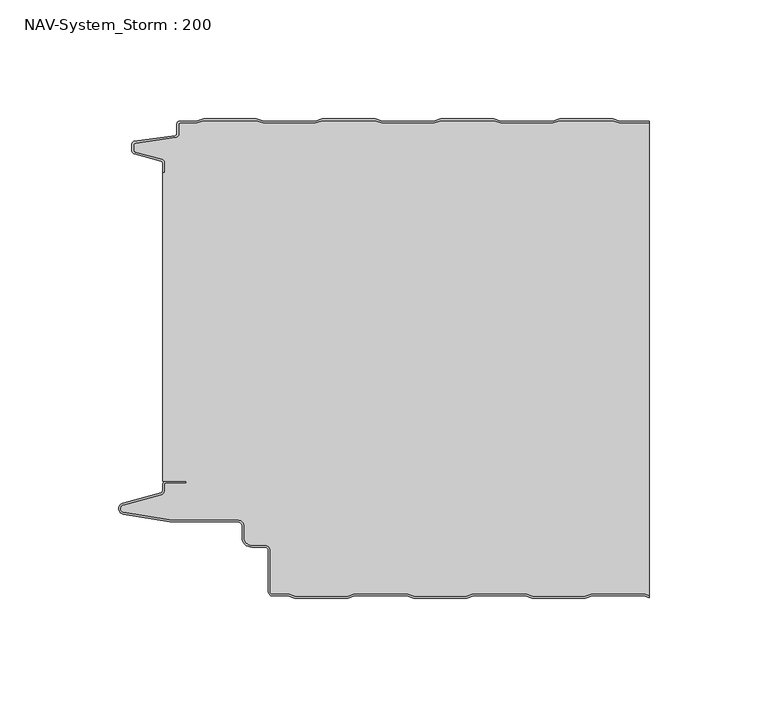
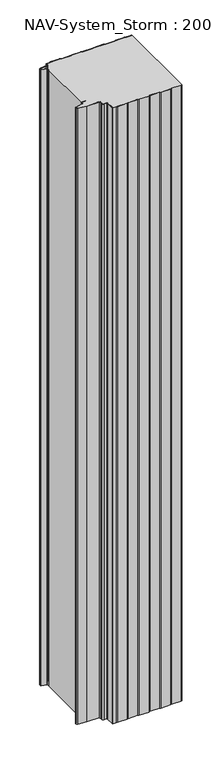
"""IFC4 building model written with IfcOpenShell, lengths in millimetres: plate geometry, NAV-System_Storm : 200."""

from ifc_helpers import new_model, si_unit, point, frame, frame_2d, origin, origin_with_axes, place, context, project, spatial, polyline, circle_curve, trimmed, segment, composite_curve, outline, extrude, source, transform, mapped, element, save
from ifc_brep_helpers import plane_surface, cylinder_surface, revolved_surface, advanced_brep


def nav_system_storm_200_3ceae8f8(model_context):
    return source(origin(), model_context, "Body", "SolidModel", [
        extrude(outline(composite_curve([segment(polyline([(86.8684174, -0.8), (83.8684174, 0.2), (61.8684174, 0.2), (58.8684174, -0.8), (36.8684174, -0.8), (33.8684174, 0.2), (11.8684174, 0.2), (8.8684174, -0.8), (-13.1315826, -0.8), (-16.1315826, 0.2), (-38.1315826, 0.2), (-41.1315826, -0.8), (-63.1315826, -0.8), (-66.1315826, 0.2), (-88.1315826, 0.2), (-91.1315826, -0.8), (-98.2000153, -0.8)]), True, "CONTINUOUS"), segment(trimmed(circle_curve(frame_2d((-98.2000153, -1.3)), 0.5), [point((-98.2000153, -0.8))], [point((-98.7000153, -1.3))], True, "CARTESIAN"), True, "CONTINUOUS"), segment(polyline([(-98.7000153, -1.3), (-98.7000153, -5.3964683)]), True, "CONTINUOUS"), segment(trimmed(circle_curve(frame_2d((-100.2000153, -5.3964683)), 1.5), [point((-98.7000153, -5.3964683))], [point((-99.991136, -6.8818536))], False, "CARTESIAN"), True, "CONTINUOUS"), segment(polyline([(-99.991136, -6.8818536), (-116.9352336, -9.2645825)]), True, "CONTINUOUS"), segment(trimmed(circle_curve(frame_2d((-116.8115062, -10.1444347)), 0.8885091), [point((-116.9352336, -9.2645825))], [point((-117.7000153, -10.1444347))], True, "CARTESIAN"), True, "CONTINUOUS"), segment(polyline([(-117.7000153, -10.1444347), (-117.7000153, -12.46995)]), True, "CONTINUOUS"), segment(trimmed(circle_curve(frame_2d((-117.1000153, -12.46995)), 0.6), [point((-117.7000153, -12.46995))], [point((-117.2553067, -13.0495055))], True, "CARTESIAN"), True, "CONTINUOUS"), segment(polyline([(-117.2553067, -13.0495055), (-105.8785784, -16.0978907)]), True, "CONTINUOUS"), segment(trimmed(circle_curve(frame_2d((-106.266807, -17.5467794)), 1.5), [point((-105.8785784, -16.0978907))], [point((-104.766807, -17.5467794))], False, "CARTESIAN"), True, "CONTINUOUS"), segment(polyline([(-104.766807, -17.5467794), (-104.766807, -21.623446), (-105.566807, -21.623446), (-105.566807, -17.5467794)]), True, "CONTINUOUS"), segment(trimmed(circle_curve(frame_2d((-106.266807, -17.5467794)), 0.7), [point((-105.566807, -17.5467794))], [point((-106.0856337, -16.8706313))], True, "CARTESIAN"), True, "CONTINUOUS"), segment(polyline([(-106.0856337, -16.8706313), (-117.53648, -13.8023863)]), True, "CONTINUOUS"), segment(trimmed(circle_curve(frame_2d((-117.2000153, -12.5466827)), 1.3), [point((-117.53648, -13.8023863))], [point((-118.5000153, -12.5466827))], False, "CARTESIAN"), True, "CONTINUOUS"), segment(polyline([(-118.5000153, -12.5466827), (-118.5000153, -9.8067363)]), True, "CONTINUOUS"), segment(trimmed(circle_curve(frame_2d((-117.2000153, -9.8067363)), 1.3), [point((-118.5000153, -9.8067363))], [point((-117.3810439, -8.5194024))], False, "CARTESIAN"), True, "CONTINUOUS"), segment(polyline([(-117.3810439, -8.5194024), (-100.1025383, -6.0896481)]), True, "CONTINUOUS"), segment(trimmed(circle_curve(frame_2d((-100.2000153, -5.3964683)), 0.7), [point((-100.1025383, -6.0896481))], [point((-99.5000153, -5.3964683))], True, "CARTESIAN"), True, "CONTINUOUS"), segment(polyline([(-99.5000153, -5.3964683), (-99.5000153, -1.3)]), True, "CONTINUOUS"), segment(trimmed(circle_curve(frame_2d((-98.2000153, -1.3)), 1.3), [point((-99.5000153, -1.3))], [point((-98.2000153, 0.0))], False, "CARTESIAN"), True, "CONTINUOUS"), segment(polyline([(-98.2000153, 0.0), (-91.2614047, 0.0), (-88.2614047, 1.0), (-66.0017605, 1.0), (-63.0017605, 0.0), (-41.2614047, 0.0), (-38.2614047, 1.0), (-16.0017605, 1.0), (-13.0017605, 0.0), (8.7385953, 0.0), (11.7385953, 1.0), (33.9982395, 1.0), (36.9982395, 0.0), (58.7385953, 0.0), (61.7385953, 1.0), (83.9982395, 1.0), (86.9982395, 0.0), (99.5, 0.0), (99.5, -0.8), (86.8684174, -0.8)]), True, "CONTINUOUS")], self_intersect=False)), origin_with_axes(), (0.0, 0.0, 1.0), 1500.0),
        advanced_brep(
        [(86.8684327, -0.8, 1500.0), (83.8684327, 0.2, 1500.0), (61.8684327, 0.2, 1500.0), (58.8684327, -0.8, 1500.0), (36.8684327, -0.8, 1500.0), (33.8684327, 0.2, 1500.0), (11.8684327, 0.2, 1500.0), (8.8684327, -0.8, 1500.0), (-13.1315673, -0.8, 1500.0), (-16.1315673, 0.2, 1500.0), (-38.1315673, 0.2, 1500.0), (-41.1315673, -0.8, 1500.0), (-63.1315673, -0.8, 1500.0), (-66.1315673, 0.2, 1500.0), (-88.1315673, 0.2, 1500.0), (-91.1315673, -0.8, 1500.0), (-98.2, -0.8, 1500.0), (-98.7, -1.3, 1500.0), (-98.7, -5.3964683, 1500.0), (-99.9911207, -6.8818536, 1500.0), (-116.9352183, -9.2645825, 1500.0), (-117.7, -10.1444347, 1500.0), (-117.7, -12.46995, 1500.0), (-117.2552914, -13.0495055, 1500.0), (-105.8785632, -16.0978907, 1500.0), (-104.7667917, -17.5467794, 1500.0), (-104.7667917, -21.623446, 1500.0), (-105.5667917, -21.623446, 1500.0), (-105.5667917, -151.7763253, 1500.0), (-95.5330891, -151.7763253, 1500.0), (-95.5330891, -152.5763253, 1500.0), (-104.0330891, -152.5763253, 1500.0), (-104.7330891, -153.2763253, 1500.0), (-104.7330891, -155.8624192, 1500.0), (-105.9560377, -157.4561968, 1500.0), (-122.0574978, -161.8079393, 1500.0), (-121.9021816, -164.8341065, 1500.0), (-102.4332334, -168.0040626, 1500.0), (-73.9661198, -168.0040626, 1500.0), (-71.1661198, -170.806803, 1500.0), (-71.1661198, -175.5, 1500.0), (-67.9661198, -178.7, 1500.0), (-62.4661198, -178.7, 1500.0), (-60.1661198, -181.0, 1500.0), (-60.1661198, -198.2484002, 1500.0), (-59.2161211, -199.2, 1500.0), (-52.5977024, -199.2, 1500.0), (-49.5977024, -200.2, 1500.0), (-27.5977024, -200.2, 1500.0), (-24.5977024, -199.2, 1500.0), (-2.5977024, -199.2, 1500.0), (0.4022976, -200.2, 1500.0), (22.4022976, -200.2, 1500.0), (25.4022976, -199.2, 1500.0), (47.4022976, -199.2, 1500.0), (50.4022976, -200.2, 1500.0), (72.4022976, -200.2, 1500.0), (75.4022976, -199.2, 1500.0), (97.4022976, -199.2, 1500.0), (99.5, -199.8992341, 1500.0), (99.5, -0.8, 1500.0), (97.4022976, -199.2, 0.0), (75.4022976, -199.2, 0.0), (72.4022976, -200.2, 0.0), (50.4022976, -200.2, 0.0), (47.4022976, -199.2, 0.0), (25.4022976, -199.2, 0.0), (22.4022976, -200.2, 0.0), (0.4022976, -200.2, 0.0), (-2.5977024, -199.2, 0.0), (-24.5977024, -199.2, 0.0), (-27.5977024, -200.2, 0.0), (-49.5977024, -200.2, 0.0), (-52.5977024, -199.2, 0.0), (-59.2161211, -199.2, 0.0), (-60.1661198, -198.2484002, 0.0), (-60.1661198, -181.0, 0.0), (-62.4661198, -178.7, 0.0), (-67.9661198, -178.7, 0.0), (-71.1661198, -175.5, 0.0), (-71.1661198, -170.806803, 0.0), (-73.9661198, -168.006803, 0.0), (-102.4332334, -168.0040626, 0.0), (-121.9021816, -164.8341065, 0.0), (-122.0574978, -161.8079393, 0.0), (-105.9560377, -157.4561968, 0.0), (-104.7330891, -155.8624192, 0.0), (-104.7330891, -153.2763253, 0.0), (-104.0330891, -152.5763253, 0.0), (-95.5330891, -152.5763253, 0.0), (-95.5330891, -151.7763253, 0.0), (-105.5667917, -151.7763253, 0.0), (-105.5667917, -21.623446, 0.0), (-104.7667917, -21.623446, 0.0), (-104.7667917, -17.5467794, 0.0), (-105.8785632, -16.0978907, 0.0), (-117.2552914, -13.0495055, 0.0), (-117.7, -12.46995, 0.0), (-117.7, -10.1444347, 0.0), (-116.9352183, -9.2645825, 0.0), (-99.9911207, -6.8818536, 0.0), (-98.7, -5.3964683, 0.0), (-98.7, -1.3, 0.0), (-98.2, -0.8, 0.0), (-91.1315673, -0.8, 0.0), (-88.1315673, 0.2, 0.0), (-66.1315673, 0.2, 0.0), (-63.1315673, -0.8, 0.0), (-41.1315673, -0.8, 0.0), (-38.1315673, 0.2, 0.0), (-16.1315673, 0.2, 0.0), (-13.1315673, -0.8, 0.0), (8.8684327, -0.8, 0.0), (11.8684327, 0.2, 0.0), (33.8684327, 0.2, 0.0), (36.8684327, -0.8, 0.0), (58.8684327, -0.8, 0.0), (61.8684327, 0.2, 0.0), (83.8684327, 0.2, 0.0), (86.8684327, -0.8, 0.0), (99.5, -0.8, 0.0), (99.5, -199.8992341, 0.0)],
        [
            (0, 1),
            (1, 2),
            (2, 3),
            (3, 4),
            (4, 5),
            (5, 6),
            (6, 7),
            (7, 8),
            (8, 9),
            (9, 10),
            (10, 11),
            (11, 12),
            (12, 13),
            (13, 14),
            (14, 15),
            (15, 16),
            (16, 17, circle_curve(frame((-98.2, -1.3, 1500.0), z_axis=(0.0, 0.0, 1.0), x_axis=(1.0, 0.0, 0.0)), 0.5)),
            (17, 18),
            (18, 19, circle_curve(frame((-100.2, -5.3964683, 1500.0), z_axis=(0.0, 0.0, -1.0), x_axis=(1.0, 0.0, 0.0)), 1.5)),
            (19, 20),
            (20, 21, circle_curve(frame((-116.8114909, -10.1444347, 1500.0), z_axis=(0.0, 0.0, 1.0), x_axis=(1.0, 0.0, 0.0)), 0.8885091)),
            (21, 22),
            (22, 23, circle_curve(frame((-117.1, -12.46995, 1500.0), z_axis=(0.0, 0.0, 1.0), x_axis=(1.0, 0.0, 0.0)), 0.6)),
            (23, 24),
            (24, 25, circle_curve(frame((-106.2667917, -17.5467794, 1500.0), z_axis=(0.0, 0.0, -1.0), x_axis=(1.0, 0.0, 0.0)), 1.5)),
            (25, 26),
            (26, 27),
            (27, 28),
            (28, 29),
            (29, 30),
            (30, 31),
            (31, 32, circle_curve(frame((-104.0330891, -153.2763253, 1500.0), z_axis=(0.0, 0.0, 1.0), x_axis=(1.0, 0.0, 0.0)), 0.7)),
            (32, 33),
            (33, 34, circle_curve(frame((-106.3830891, -155.8624192, 1500.0), z_axis=(0.0, 0.0, -1.0), x_axis=(1.0, 0.0, 0.0)), 1.65)),
            (34, 35),
            (35, 36, circle_curve(frame((-121.6530891, -163.3042526, 1500.0), z_axis=(0.0, 0.0, 1.0), x_axis=(1.0, 0.0, 0.0)), 1.55)),
            (36, 37),
            (37, 38),
            (38, 39, circle_curve(frame((-73.9661198, -170.806803, 1500.0), z_axis=(0.0, 0.0, -1.0), x_axis=(1.0, 0.0, 0.0)), 2.8)),
            (39, 40),
            (40, 41, circle_curve(frame((-67.9661198, -175.5, 1500.0), z_axis=(0.0, 0.0, 1.0), x_axis=(1.0, 0.0, 0.0)), 3.2)),
            (41, 42),
            (42, 43, circle_curve(frame((-62.4661198, -181.0, 1500.0), z_axis=(0.0, 0.0, -1.0), x_axis=(1.0, 0.0, 0.0)), 2.3)),
            (43, 44),
            (44, 45, circle_curve(frame((-59.2161211, -198.25, 1500.0), z_axis=(0.0, 0.0, 1.0), x_axis=(1.0, 0.0, 0.0)), 0.95)),
            (45, 46),
            (46, 47),
            (47, 48),
            (48, 49),
            (49, 50),
            (50, 51),
            (51, 52),
            (52, 53),
            (53, 54),
            (54, 55),
            (55, 56),
            (56, 57),
            (57, 58),
            (58, 59),
            (59, 60),
            (60, 0),
            (61, 62),
            (62, 63),
            (63, 64),
            (64, 65),
            (65, 66),
            (66, 67),
            (67, 68),
            (68, 69),
            (69, 70),
            (70, 71),
            (71, 72),
            (72, 73),
            (73, 74),
            (74, 75, circle_curve(frame((-59.2161211, -198.25, 0.0), z_axis=(0.0, 0.0, -1.0), x_axis=(1.0, 0.0, 0.0)), 0.95)),
            (75, 76),
            (76, 77, circle_curve(frame((-62.4661198, -181.0, 0.0), z_axis=(0.0, 0.0, 1.0), x_axis=(1.0, 0.0, 0.0)), 2.3)),
            (77, 78),
            (78, 79, circle_curve(frame((-67.9661198, -175.5, 0.0), z_axis=(0.0, 0.0, -1.0), x_axis=(1.0, 0.0, 0.0)), 3.2)),
            (79, 80),
            (80, 81, circle_curve(frame((-73.9661198, -170.806803, 0.0), z_axis=(0.0, 0.0, 1.0), x_axis=(1.0, 0.0, 0.0)), 2.8)),
            (81, 82),
            (82, 83),
            (83, 84, circle_curve(frame((-121.6530891, -163.3042526, 0.0), z_axis=(0.0, 0.0, -1.0), x_axis=(1.0, 0.0, 0.0)), 1.55)),
            (84, 85),
            (85, 86, circle_curve(frame((-106.3830891, -155.8624192, 0.0), z_axis=(0.0, 0.0, 1.0), x_axis=(1.0, 0.0, 0.0)), 1.65)),
            (86, 87),
            (87, 88, circle_curve(frame((-104.0330891, -153.2763253, 0.0), z_axis=(0.0, 0.0, -1.0), x_axis=(1.0, 0.0, 0.0)), 0.7)),
            (88, 89),
            (89, 90),
            (90, 91),
            (91, 92),
            (92, 93),
            (93, 94),
            (94, 95, circle_curve(frame((-106.2667917, -17.5467794, 0.0), z_axis=(0.0, 0.0, 1.0), x_axis=(1.0, 0.0, 0.0)), 1.5)),
            (95, 96),
            (96, 97, circle_curve(frame((-117.1, -12.46995, 0.0), z_axis=(0.0, 0.0, -1.0), x_axis=(1.0, 0.0, 0.0)), 0.6)),
            (97, 98),
            (98, 99, circle_curve(frame((-116.8114909, -10.1444347, 0.0), z_axis=(0.0, 0.0, -1.0), x_axis=(1.0, 0.0, 0.0)), 0.8885091)),
            (99, 100),
            (100, 101, circle_curve(frame((-100.2, -5.3964683, 0.0), z_axis=(0.0, 0.0, 1.0), x_axis=(1.0, 0.0, 0.0)), 1.5)),
            (101, 102),
            (102, 103, circle_curve(frame((-98.2, -1.3, 0.0), z_axis=(0.0, 0.0, -1.0), x_axis=(1.0, 0.0, 0.0)), 0.5)),
            (103, 104),
            (104, 105),
            (105, 106),
            (106, 107),
            (107, 108),
            (108, 109),
            (109, 110),
            (110, 111),
            (111, 112),
            (112, 113),
            (113, 114),
            (114, 115),
            (115, 116),
            (116, 117),
            (117, 118),
            (118, 119),
            (119, 120),
            (120, 121),
            (121, 61),
            (119, 0),
            (60, 120),
            (118, 1),
            (117, 2),
            (116, 3),
            (115, 4),
            (114, 5),
            (113, 6),
            (112, 7),
            (111, 8),
            (110, 9),
            (109, 10),
            (108, 11),
            (107, 12),
            (106, 13),
            (105, 14),
            (104, 15),
            (103, 16),
            (102, 17),
            (101, 18),
            (100, 19),
            (99, 20),
            (98, 21),
            (97, 22),
            (96, 23),
            (95, 24),
            (94, 25),
            (93, 26),
            (92, 27),
            (91, 28),
            (90, 29),
            (89, 30),
            (88, 31),
            (87, 32),
            (86, 33),
            (85, 34),
            (84, 35),
            (83, 36),
            (82, 37),
            (81, 38),
            (80, 39),
            (79, 40),
            (78, 41),
            (77, 42),
            (76, 43),
            (75, 44),
            (74, 45),
            (73, 46),
            (72, 47),
            (71, 48),
            (70, 49),
            (69, 50),
            (68, 51),
            (67, 52),
            (66, 53),
            (65, 54),
            (64, 55),
            (63, 56),
            (62, 57),
            (61, 58),
            (121, 59),
        ],
        [
            plane_surface(frame((-99.5, 0.0, 1500.0), z_axis=(0.0, 0.0, 1.0), x_axis=(0.0, -1.0, 0.0))),
            plane_surface(frame((-99.5, 0.0, 0.0), z_axis=(0.0, 0.0, -1.0), x_axis=(0.0, -1.0, 0.0))),
            plane_surface(frame((108.8684327, -0.8, 1500.0), z_axis=(0.0, 1.0, 0.0), x_axis=(0.0, 0.0, -1.0))),
            plane_surface(frame((86.8684327, -0.8, 1500.0), z_axis=(0.3162277660167034, 0.9486832980505586, 0.0), x_axis=(0.0, 0.0, -1.0))),
            plane_surface(frame((83.8684327, 0.2, 1500.0), z_axis=(0.0, 1.0, 0.0), x_axis=(0.0, 0.0, -1.0))),
            plane_surface(frame((61.8684327, 0.2, 1500.0), z_axis=(-0.3162277660167478, 0.948683298050544, 0.0), x_axis=(0.0, 0.0, -1.0))),
            plane_surface(frame((58.8684327, -0.8, 1500.0), z_axis=(0.0, 1.0, 0.0), x_axis=(0.0, 0.0, -1.0))),
            plane_surface(frame((36.8684327, -0.8, 1500.0), z_axis=(0.3162277660167612, 0.9486832980505394, 0.0), x_axis=(0.0, 0.0, -1.0))),
            plane_surface(frame((33.8684327, 0.2, 1500.0), z_axis=(0.0, 1.0, 0.0), x_axis=(0.0, 0.0, -1.0))),
            plane_surface(frame((11.8684327, 0.2, 1500.0), z_axis=(-0.3162277660168056, 0.9486832980505246, 0.0), x_axis=(0.0, 0.0, -1.0))),
            plane_surface(frame((8.8684327, -0.8, 1500.0), z_axis=(0.0, 1.0, 0.0), x_axis=(0.0, 0.0, -1.0))),
            plane_surface(frame((-13.1315673, -0.8, 1500.0), z_axis=(0.3162277660167548, 0.9486832980505415, 0.0), x_axis=(0.0, 0.0, -1.0))),
            plane_surface(frame((-16.1315673, 0.2, 1500.0), z_axis=(0.0, 1.0, 0.0), x_axis=(0.0, 0.0, -1.0))),
            plane_surface(frame((-38.1315673, 0.2, 1500.0), z_axis=(-0.31622776601682484, 0.9486832980505183, 0.0), x_axis=(0.0, 0.0, -1.0))),
            plane_surface(frame((-41.1315673, -0.8, 1500.0), z_axis=(0.0, 1.0, 0.0), x_axis=(0.0, 0.0, -1.0))),
            plane_surface(frame((-63.1315673, -0.8, 1500.0), z_axis=(0.3162277660167034, 0.9486832980505586, 0.0), x_axis=(0.0, 0.0, -1.0))),
            plane_surface(frame((-66.1315673, 0.2, 1500.0), z_axis=(0.0, 1.0, 0.0), x_axis=(0.0, 0.0, -1.0))),
            plane_surface(frame((-88.1315673, 0.2, 1500.0), z_axis=(-0.31622776601670927, 0.9486832980505567, 0.0), x_axis=(0.0, 0.0, -1.0))),
            plane_surface(frame((-91.1315673, -0.8, 1500.0), z_axis=(0.0, 1.0, 0.0), x_axis=(0.0, 0.0, -1.0))),
            cylinder_surface(frame((-98.2, -1.3, 1500.0), z_axis=(0.0, 0.0, 1.0), x_axis=(1.0, 0.0, 0.0)), 0.5),
            plane_surface(frame((-98.7, -1.3, 1500.0), z_axis=(-1.0, 0.0, 0.0), x_axis=(0.0, 0.0, -1.0))),
            revolved_surface(polyline([(-98.7, -5.3964683, 0.0), (-98.7, -5.3964683, 1500.0)]), (-100.2, -5.3964683, 1500.0), (0.0, 0.0, -1.0)),
            plane_surface(frame((-99.9911207, -6.8818536, 1500.0), z_axis=(-0.13925283650469739, 0.9902568593680107, 0.0), x_axis=(0.0, 0.0, -1.0))),
            cylinder_surface(frame((-116.8114909, -10.1444347, 1500.0), z_axis=(0.0, 0.0, 1.0), x_axis=(1.0, 0.0, 0.0)), 0.8885091),
            plane_surface(frame((-117.7, -10.1444347, 1500.0), z_axis=(-1.0, 0.0, 0.0), x_axis=(0.0, 0.0, -1.0))),
            cylinder_surface(frame((-117.1, -12.46995, 1500.0), z_axis=(0.0, 0.0, 1.0), x_axis=(1.0, 0.0, 0.0)), 0.6),
            plane_surface(frame((-117.2552914, -13.0495055, 1500.0), z_axis=(-0.2588190451027143, -0.9659258262890165, 0.0), x_axis=(0.0, 0.0, -1.0))),
            revolved_surface(polyline([(-104.7667917, -17.5467794, 0.0), (-104.7667917, -17.5467794, 1500.0)]), (-106.2667917, -17.5467794, 1500.0), (0.0, 0.0, -1.0)),
            plane_surface(frame((-104.7667917, -17.5467794, 1500.0), z_axis=(-1.0, 0.0, 0.0), x_axis=(0.0, 0.0, -1.0))),
            plane_surface(frame((-104.7667917, -21.623446, 1500.0), z_axis=(0.0, 1.0, 0.0), x_axis=(0.0, 0.0, -1.0))),
            plane_surface(frame((-105.5667917, -21.623446, 1500.0), z_axis=(-1.0, 0.0, 0.0), x_axis=(0.0, 0.0, -1.0))),
            plane_surface(frame((-105.5667917, -151.7763253, 1500.0), z_axis=(0.0, -1.0, 0.0), x_axis=(0.0, 0.0, -1.0))),
            plane_surface(frame((-95.5330891, -151.7763253, 1500.0), z_axis=(-1.0, 0.0, 0.0), x_axis=(0.0, 0.0, -1.0))),
            plane_surface(frame((-95.5330891, -152.5763253, 1500.0), z_axis=(0.0, 1.0, 0.0), x_axis=(0.0, 0.0, -1.0))),
            cylinder_surface(frame((-104.0330891, -153.2763253, 1500.0), z_axis=(0.0, 0.0, 1.0), x_axis=(1.0, 0.0, 0.0)), 0.7),
            plane_surface(frame((-104.7330891, -153.2763253, 1500.0), z_axis=(-1.0, 0.0, 0.0), x_axis=(0.0, 0.0, -1.0))),
            revolved_surface(polyline([(-104.7330891, -155.8624192, 0.0), (-104.7330891, -155.8624192, 1500.0)]), (-106.3830891, -155.8624192, 1500.0), (0.0, 0.0, -1.0)),
            plane_surface(frame((-105.9560377, -157.4561968, 1500.0), z_axis=(-0.2609088270168501, 0.9653634465757918, 0.0), x_axis=(0.0, 0.0, -1.0))),
            cylinder_surface(frame((-121.6530891, -163.3042526, 1500.0), z_axis=(0.0, 0.0, 1.0), x_axis=(1.0, 0.0, 0.0)), 1.55),
            plane_surface(frame((-121.9021816, -164.8341065, 1500.0), z_axis=(-0.16070486280353136, -0.9870025061119643, 0.0), x_axis=(0.0, 0.0, -1.0))),
            plane_surface(frame((-102.4332334, -168.0040626, 1500.0), z_axis=(0.0, -1.0, 0.0), x_axis=(0.0, 0.0, -1.0))),
            revolved_surface(polyline([(-71.1661198, -170.806803, 0.0), (-71.1661198, -170.806803, 1500.0)]), (-73.9661198, -170.806803, 1500.0), (0.0, 0.0, -1.0)),
            plane_surface(frame((-71.1661198, -170.806803, 1500.0), z_axis=(-1.0, 0.0, 0.0), x_axis=(0.0, 0.0, -1.0))),
            cylinder_surface(frame((-67.9661198, -175.5, 1500.0), z_axis=(0.0, 0.0, 1.0), x_axis=(1.0, 0.0, 0.0)), 3.2),
            plane_surface(frame((-67.9661198, -178.7, 1500.0), z_axis=(0.0, -1.0, 0.0), x_axis=(0.0, 0.0, -1.0))),
            revolved_surface(polyline([(-60.166119800000004, -181.0, 0.0), (-60.166119800000004, -181.0, 1500.0)]), (-62.4661198, -181.0, 1500.0), (0.0, 0.0, -1.0)),
            plane_surface(frame((-60.1661198, -181.0, 1500.0), z_axis=(-1.0, 0.0, 0.0), x_axis=(0.0, 0.0, -1.0))),
            cylinder_surface(frame((-59.2161211, -198.25, 1500.0), z_axis=(0.0, 0.0, 1.0), x_axis=(1.0, 0.0, 0.0)), 0.95),
            plane_surface(frame((-59.2161211, -199.2, 1500.0), z_axis=(0.0, -1.0, 0.0), x_axis=(0.0, 0.0, -1.0))),
            plane_surface(frame((-52.5977024, -199.2, 1500.0), z_axis=(-0.3162277660167031, -0.9486832980505587, 0.0), x_axis=(0.0, 0.0, -1.0))),
            plane_surface(frame((-49.5977024, -200.2, 1500.0), z_axis=(0.0, -1.0, 0.0), x_axis=(0.0, 0.0, -1.0))),
            plane_surface(frame((-27.5977024, -200.2, 1500.0), z_axis=(0.31622776601667746, -0.9486832980505674, 0.0), x_axis=(0.0, 0.0, -1.0))),
            plane_surface(frame((-24.5977024, -199.2, 1500.0), z_axis=(0.0, -1.0, 0.0), x_axis=(0.0, 0.0, -1.0))),
            plane_surface(frame((-2.5977024, -199.2, 1500.0), z_axis=(-0.31622776601683794, -0.9486832980505139, 0.0), x_axis=(0.0, 0.0, -1.0))),
            plane_surface(frame((0.4022976, -200.2, 1500.0), z_axis=(0.0, -1.0, 0.0), x_axis=(0.0, 0.0, -1.0))),
            plane_surface(frame((22.4022976, -200.2, 1500.0), z_axis=(0.31622776601674163, -0.948683298050546, 0.0), x_axis=(0.0, 0.0, -1.0))),
            plane_surface(frame((25.4022976, -199.2, 1500.0), z_axis=(0.0, -1.0, 0.0), x_axis=(0.0, 0.0, -1.0))),
            plane_surface(frame((47.4022976, -199.2, 1500.0), z_axis=(-0.3162277660168251, -0.9486832980505182, 0.0), x_axis=(0.0, 0.0, -1.0))),
            plane_surface(frame((50.4022976, -200.2, 1500.0), z_axis=(0.0, -1.0, 0.0), x_axis=(0.0, 0.0, -1.0))),
            plane_surface(frame((72.4022976, -200.2, 1500.0), z_axis=(0.31622776601674163, -0.948683298050546, 0.0), x_axis=(0.0, 0.0, -1.0))),
            plane_surface(frame((75.4022976, -199.2, 1500.0), z_axis=(0.0, -1.0, 0.0), x_axis=(0.0, 0.0, -1.0))),
            plane_surface(frame((97.4022976, -199.2, 1500.0), z_axis=(-0.31622776601677377, -0.9486832980505353, 0.0), x_axis=(0.0, 0.0, -1.0))),
            plane_surface(frame((99.5, 100.0, 1500.0), z_axis=(1.0, 0.0, 0.0), x_axis=(0.0, 0.0, -1.0))),
        ],
        [
            (0, [[1, 2, 3, 4, 5, 6, 7, 8, 9, 10, 11, 12, 13, 14, 15, 16, 17, 18, 19, 20, 21, 22, 23, 24, 25, 26, 27, 28, 29, 30, 31, 32, 33, 34, 35, 36, 37, 38, 39, 40, 41, 42, 43, 44, 45, 46, 47, 48, 49, 50, 51, 52, 53, 54, 55, 56, 57, 58, 59, 60, 61]]),
            (1, [[62, 63, 64, 65, 66, 67, 68, 69, 70, 71, 72, 73, 74, 75, 76, 77, 78, 79, 80, 81, 82, 83, 84, 85, 86, 87, 88, 89, 90, 91, 92, 93, 94, 95, 96, 97, 98, 99, 100, 101, 102, 103, 104, 105, 106, 107, 108, 109, 110, 111, 112, 113, 114, 115, 116, 117, 118, 119, 120, 121, 122]]),
            (2, [[123, -61, 124, -120]]),
            (3, [[-1, -123, -119, 125]]),
            (4, [[-2, -125, -118, 126]]),
            (5, [[-3, -126, -117, 127]]),
            (6, [[-4, -127, -116, 128]]),
            (7, [[-5, -128, -115, 129]]),
            (8, [[-6, -129, -114, 130]]),
            (9, [[-7, -130, -113, 131]]),
            (10, [[-8, -131, -112, 132]]),
            (11, [[-9, -132, -111, 133]]),
            (12, [[-10, -133, -110, 134]]),
            (13, [[-11, -134, -109, 135]]),
            (14, [[-12, -135, -108, 136]]),
            (15, [[-13, -136, -107, 137]]),
            (16, [[-14, -137, -106, 138]]),
            (17, [[-15, -138, -105, 139]]),
            (18, [[-16, -139, -104, 140]]),
            (19, [[-17, -140, -103, 141]]),
            (20, [[-18, -141, -102, 142]]),
            (21, [[-19, -142, -101, 143]]),
            (22, [[-20, -143, -100, 144]]),
            (23, [[-21, -144, -99, 145]]),
            (24, [[-22, -145, -98, 146]]),
            (25, [[-23, -146, -97, 147]]),
            (26, [[-24, -147, -96, 148]]),
            (27, [[-25, -148, -95, 149]]),
            (28, [[-26, -149, -94, 150]]),
            (29, [[-27, -150, -93, 151]]),
            (30, [[-28, -151, -92, 152]]),
            (31, [[-29, -152, -91, 153]]),
            (32, [[-30, -153, -90, 154]]),
            (33, [[-31, -154, -89, 155]]),
            (34, [[-32, -155, -88, 156]]),
            (35, [[-33, -156, -87, 157]]),
            (36, [[-34, -157, -86, 158]]),
            (37, [[-35, -158, -85, 159]]),
            (38, [[-36, -159, -84, 160]]),
            (39, [[-37, -160, -83, 161]]),
            (40, [[-38, -161, -82, 162]]),
            (41, [[-39, -162, -81, 163]]),
            (42, [[-40, -163, -80, 164]]),
            (43, [[-41, -164, -79, 165]]),
            (44, [[-42, -165, -78, 166]]),
            (45, [[-43, -166, -77, 167]]),
            (46, [[-44, -167, -76, 168]]),
            (47, [[-45, -168, -75, 169]]),
            (48, [[-46, -169, -74, 170]]),
            (49, [[-47, -170, -73, 171]]),
            (50, [[-48, -171, -72, 172]]),
            (51, [[-49, -172, -71, 173]]),
            (52, [[-50, -173, -70, 174]]),
            (53, [[-51, -174, -69, 175]]),
            (54, [[-52, -175, -68, 176]]),
            (55, [[-53, -176, -67, 177]]),
            (56, [[-54, -177, -66, 178]]),
            (57, [[-55, -178, -65, 179]]),
            (58, [[-56, -179, -64, 180]]),
            (59, [[-57, -180, -63, 181]]),
            (60, [[-58, -181, -62, 182]]),
            (61, [[-182, -122, 183, -59]]),
            (62, [[-60, -183, -121, -124]]),
        ],
    ),
        advanced_brep(
        [(97.3684174, -199.2, 1500.0), (75.3684174, -199.2, 1500.0), (72.3684174, -200.2, 1500.0), (50.3684174, -200.2, 1500.0), (47.3684174, -199.2, 1500.0), (25.3684174, -199.2, 1500.0), (22.3684174, -200.2, 1500.0), (0.3684174, -200.2, 1500.0), (-2.6315826, -199.2, 1500.0), (-24.6315826, -199.2, 1500.0), (-27.6315826, -200.2, 1500.0), (-49.6315826, -200.2, 1500.0), (-52.6315826, -199.2, 1500.0), (-59.2500013, -199.2, 1500.0), (-60.2, -198.2484002, 1500.0), (-60.2, -181.0, 1500.0), (-62.5, -178.7, 1500.0), (-68.0, -178.7, 1500.0), (-71.2, -175.5, 1500.0), (-71.2, -170.806803, 1500.0), (-74.0, -168.006803, 1500.0), (-102.4671136, -168.0040626, 1500.0), (-121.9360619, -164.8341065, 1500.0), (-122.091378, -161.8079393, 1500.0), (-105.9899179, -157.4561968, 1500.0), (-104.7669693, -155.8624192, 1500.0), (-104.7669693, -153.2763253, 1500.0), (-104.0669693, -152.5763253, 1500.0), (-95.5669693, -152.5763253, 1500.0), (-95.5669693, -151.7763253, 1500.0), (-104.0669693, -151.7763253, 1500.0), (-105.5669693, -153.2763253, 1500.0), (-105.5669693, -155.9006976, 1500.0), (-106.1582424, -156.6729884, 1500.0), (-122.3001048, -161.0356484, 1500.0), (-122.0646249, -165.6237086, 1500.0), (-102.4341193, -168.806803, 1500.0), (-74.0, -168.806803, 1500.0), (-72.0, -170.806803, 1500.0), (-72.0, -175.5, 1500.0), (-68.0, -179.5, 1500.0), (-62.5, -179.5, 1500.0), (-61.0, -181.0, 1500.0), (-61.0, -198.2478286, 1500.0), (-59.2500013, -200.0, 1500.0), (-52.7614047, -200.0, 1500.0), (-49.7614047, -201.0, 1500.0), (-27.5017605, -201.0, 1500.0), (-24.5017605, -200.0, 1500.0), (-2.7614047, -200.0, 1500.0), (0.2385953, -201.0, 1500.0), (22.4982395, -201.0, 1500.0), (25.4982395, -200.0, 1500.0), (47.2385953, -200.0, 1500.0), (50.2385953, -201.0, 1500.0), (72.4982395, -201.0, 1500.0), (75.4982395, -200.0, 1500.0), (97.2385953, -200.0, 1500.0), (99.5, -200.7538016, 1500.0), (99.5, -199.9105275, 1500.0), (97.2385953, -200.0, 0.0), (75.4982395, -200.0, 0.0), (72.4982395, -201.0, 0.0), (50.2385953, -201.0, 0.0), (47.2385953, -200.0, 0.0), (25.4982395, -200.0, 0.0), (22.4982395, -201.0, 0.0), (0.2385953, -201.0, 0.0), (-2.7614047, -200.0, 0.0), (-24.5017605, -200.0, 0.0), (-27.5017605, -201.0, 0.0), (-49.7614047, -201.0, 0.0), (-52.7614047, -200.0, 0.0), (-59.2500013, -200.0, 0.0), (-61.0, -198.2478286, 0.0), (-61.0, -181.0, 0.0), (-62.5, -179.5, 0.0), (-68.0, -179.5, 0.0), (-72.0, -175.5, 0.0), (-72.0, -170.806803, 0.0), (-74.0, -168.806803, 0.0), (-102.4341193, -168.806803, 0.0), (-122.0646249, -165.6237086, 0.0), (-122.3001048, -161.0356484, 0.0), (-106.1582424, -156.6729884, 0.0), (-105.5669693, -155.9006976, 0.0), (-105.5669693, -153.2763253, 0.0), (-104.0669693, -151.7763253, 0.0), (-95.5669693, -151.7763253, 0.0), (-95.5669693, -152.5763253, 0.0), (-104.0669693, -152.5763253, 0.0), (-104.7669693, -153.2763253, 0.0), (-104.7669693, -155.8624192, 0.0), (-105.9899179, -157.4561968, 0.0), (-122.091378, -161.8079393, 0.0), (-121.9360619, -164.8341065, 0.0), (-102.4671136, -168.0040626, 0.0), (-74.0, -168.0040626, 0.0), (-71.2, -170.806803, 0.0), (-71.2, -175.5, 0.0), (-68.0, -178.7, 0.0), (-62.5, -178.7, 0.0), (-60.2, -181.0, 0.0), (-60.2, -198.2484002, 0.0), (-59.2500013, -199.2, 0.0), (-52.6315826, -199.2, 0.0), (-49.6315826, -200.2, 0.0), (-27.6315826, -200.2, 0.0), (-24.6315826, -199.2, 0.0), (-2.6315826, -199.2, 0.0), (0.3684174, -200.2, 0.0), (22.3684174, -200.2, 0.0), (25.3684174, -199.2, 0.0), (47.3684174, -199.2, 0.0), (50.3684174, -200.2, 0.0), (72.3684174, -200.2, 0.0), (75.3684174, -199.2, 0.0), (97.3684174, -199.2, 0.0), (99.5, -199.9105275, 0.0), (99.5, -200.7538016, 0.0)],
        [
            (0, 1),
            (1, 2),
            (2, 3),
            (3, 4),
            (4, 5),
            (5, 6),
            (6, 7),
            (7, 8),
            (8, 9),
            (9, 10),
            (10, 11),
            (11, 12),
            (12, 13),
            (13, 14, circle_curve(frame((-59.2500013, -198.25, 1500.0), z_axis=(0.0, 0.0, -1.0), x_axis=(1.0, 0.0, 0.0)), 0.95)),
            (14, 15),
            (15, 16, circle_curve(frame((-62.5, -181.0, 1500.0), z_axis=(0.0, 0.0, 1.0), x_axis=(1.0, 0.0, 0.0)), 2.3)),
            (16, 17),
            (17, 18, circle_curve(frame((-68.0, -175.5, 1500.0), z_axis=(0.0, 0.0, -1.0), x_axis=(1.0, 0.0, 0.0)), 3.2)),
            (18, 19),
            (19, 20, circle_curve(frame((-74.0, -170.806803, 1500.0), z_axis=(0.0, 0.0, 1.0), x_axis=(1.0, 0.0, 0.0)), 2.8)),
            (20, 21),
            (21, 22),
            (22, 23, circle_curve(frame((-121.6869693, -163.3042526, 1500.0), z_axis=(0.0, 0.0, -1.0), x_axis=(1.0, 0.0, 0.0)), 1.55)),
            (23, 24),
            (24, 25, circle_curve(frame((-106.4169693, -155.8624192, 1500.0), z_axis=(0.0, 0.0, 1.0), x_axis=(1.0, 0.0, 0.0)), 1.65)),
            (25, 26),
            (26, 27, circle_curve(frame((-104.0669693, -153.2763253, 1500.0), z_axis=(0.0, 0.0, -1.0), x_axis=(1.0, 0.0, 0.0)), 0.7)),
            (27, 28),
            (28, 29),
            (29, 30),
            (30, 31, circle_curve(frame((-104.0669693, -153.2763253, 1500.0), z_axis=(0.0, 0.0, 1.0), x_axis=(1.0, 0.0, 0.0)), 1.5)),
            (31, 32),
            (32, 33, circle_curve(frame((-106.3669693, -155.9006976, 1500.0), z_axis=(0.0, 0.0, -1.0), x_axis=(1.0, 0.0, 0.0)), 0.8)),
            (33, 34),
            (34, 35, circle_curve(frame((-121.6869693, -163.3042526, 1500.0), z_axis=(0.0, 0.0, 1.0), x_axis=(1.0, 0.0, 0.0)), 2.35)),
            (35, 36),
            (36, 37),
            (37, 38, circle_curve(frame((-74.0, -170.806803, 1500.0), z_axis=(0.0, 0.0, -1.0), x_axis=(1.0, 0.0, 0.0)), 2.0)),
            (38, 39),
            (39, 40, circle_curve(frame((-68.0, -175.5, 1500.0), z_axis=(0.0, 0.0, 1.0), x_axis=(1.0, 0.0, 0.0)), 4.0)),
            (40, 41),
            (41, 42, circle_curve(frame((-62.5, -181.0, 1500.0), z_axis=(0.0, 0.0, -1.0), x_axis=(1.0, 0.0, 0.0)), 1.5)),
            (42, 43),
            (43, 44, circle_curve(frame((-59.2500013, -198.25, 1500.0), z_axis=(0.0, 0.0, 1.0), x_axis=(1.0, 0.0, 0.0)), 1.75)),
            (44, 45),
            (45, 46),
            (46, 47),
            (47, 48),
            (48, 49),
            (49, 50),
            (50, 51),
            (51, 52),
            (52, 53),
            (53, 54),
            (54, 55),
            (55, 56),
            (56, 57),
            (57, 58),
            (58, 59),
            (59, 0),
            (60, 61),
            (61, 62),
            (62, 63),
            (63, 64),
            (64, 65),
            (65, 66),
            (66, 67),
            (67, 68),
            (68, 69),
            (69, 70),
            (70, 71),
            (71, 72),
            (72, 73),
            (73, 74, circle_curve(frame((-59.2500013, -198.25, 0.0), z_axis=(0.0, 0.0, -1.0), x_axis=(1.0, 0.0, 0.0)), 1.75)),
            (74, 75),
            (75, 76, circle_curve(frame((-62.5, -181.0, 0.0), z_axis=(0.0, 0.0, 1.0), x_axis=(1.0, 0.0, 0.0)), 1.5)),
            (76, 77),
            (77, 78, circle_curve(frame((-68.0, -175.5, 0.0), z_axis=(0.0, 0.0, -1.0), x_axis=(1.0, 0.0, 0.0)), 4.0)),
            (78, 79),
            (79, 80, circle_curve(frame((-74.0, -170.806803, 0.0), z_axis=(0.0, 0.0, 1.0), x_axis=(1.0, 0.0, 0.0)), 2.0)),
            (80, 81),
            (81, 82),
            (82, 83, circle_curve(frame((-121.6869693, -163.3042526, 0.0), z_axis=(0.0, 0.0, -1.0), x_axis=(1.0, 0.0, 0.0)), 2.35)),
            (83, 84),
            (84, 85, circle_curve(frame((-106.3669693, -155.9006976, 0.0), z_axis=(0.0, 0.0, 1.0), x_axis=(1.0, 0.0, 0.0)), 0.8)),
            (85, 86),
            (86, 87, circle_curve(frame((-104.0669693, -153.2763253, 0.0), z_axis=(0.0, 0.0, -1.0), x_axis=(1.0, 0.0, 0.0)), 1.5)),
            (87, 88),
            (88, 89),
            (89, 90),
            (90, 91, circle_curve(frame((-104.0669693, -153.2763253, 0.0), z_axis=(0.0, 0.0, 1.0), x_axis=(1.0, 0.0, 0.0)), 0.7)),
            (91, 92),
            (92, 93, circle_curve(frame((-106.4169693, -155.8624192, 0.0), z_axis=(0.0, 0.0, -1.0), x_axis=(1.0, 0.0, 0.0)), 1.65)),
            (93, 94),
            (94, 95, circle_curve(frame((-121.6869693, -163.3042526, 0.0), z_axis=(0.0, 0.0, 1.0), x_axis=(1.0, 0.0, 0.0)), 1.55)),
            (95, 96),
            (96, 97),
            (97, 98, circle_curve(frame((-74.0, -170.806803, 0.0), z_axis=(0.0, 0.0, -1.0), x_axis=(1.0, 0.0, 0.0)), 2.8)),
            (98, 99),
            (99, 100, circle_curve(frame((-68.0, -175.5, 0.0), z_axis=(0.0, 0.0, 1.0), x_axis=(1.0, 0.0, 0.0)), 3.2)),
            (100, 101),
            (101, 102, circle_curve(frame((-62.5, -181.0, 0.0), z_axis=(0.0, 0.0, -1.0), x_axis=(1.0, 0.0, 0.0)), 2.3)),
            (102, 103),
            (103, 104, circle_curve(frame((-59.2500013, -198.25, 0.0), z_axis=(0.0, 0.0, 1.0), x_axis=(1.0, 0.0, 0.0)), 0.95)),
            (104, 105),
            (105, 106),
            (106, 107),
            (107, 108),
            (108, 109),
            (109, 110),
            (110, 111),
            (111, 112),
            (112, 113),
            (113, 114),
            (114, 115),
            (115, 116),
            (116, 117),
            (117, 118),
            (118, 119),
            (119, 60),
            (44, 73),
            (72, 45),
            (71, 46),
            (70, 47),
            (69, 48),
            (68, 49),
            (67, 50),
            (66, 51),
            (65, 52),
            (64, 53),
            (63, 54),
            (62, 55),
            (61, 56),
            (60, 57),
            (119, 58),
            (117, 0),
            (59, 118),
            (116, 1),
            (115, 2),
            (114, 3),
            (113, 4),
            (112, 5),
            (111, 6),
            (110, 7),
            (109, 8),
            (108, 9),
            (107, 10),
            (106, 11),
            (105, 12),
            (104, 13),
            (103, 14),
            (102, 15),
            (101, 16),
            (100, 17),
            (99, 18),
            (98, 19),
            (97, 20),
            (96, 21),
            (95, 22),
            (94, 23),
            (93, 24),
            (92, 25),
            (91, 26),
            (90, 27),
            (89, 28),
            (88, 29),
            (87, 30),
            (86, 31),
            (85, 32),
            (84, 33),
            (83, 34),
            (82, 35),
            (81, 36),
            (80, 37),
            (79, 38),
            (78, 39),
            (77, 40),
            (76, 41),
            (75, 42),
            (74, 43),
        ],
        [
            plane_surface(frame((-99.5, -200.0, 1500.0), z_axis=(0.0, 0.0, 1.0), x_axis=(-1.0, 0.0, 0.0))),
            plane_surface(frame((-99.5, -200.0, 0.0), z_axis=(0.0, 0.0, -1.0), x_axis=(-1.0, 0.0, 0.0))),
            plane_surface(frame((-59.2500013, -200.0, 1500.0), z_axis=(0.0, -1.0, 0.0), x_axis=(0.0, 0.0, -1.0))),
            plane_surface(frame((-52.7614047, -200.0, 1500.0), z_axis=(-0.3162277660167412, -0.9486832980505461, 0.0), x_axis=(0.0, 0.0, -1.0))),
            plane_surface(frame((-49.7614047, -201.0, 1500.0), z_axis=(0.0, -1.0, 0.0), x_axis=(0.0, 0.0, -1.0))),
            plane_surface(frame((-27.5017605, -201.0, 1500.0), z_axis=(0.3162277660167414, -0.9486832980505461, 0.0), x_axis=(0.0, 0.0, -1.0))),
            plane_surface(frame((-24.5017605, -200.0, 1500.0), z_axis=(0.0, -1.0, 0.0), x_axis=(0.0, 0.0, -1.0))),
            plane_surface(frame((-2.7614047, -200.0, 1500.0), z_axis=(-0.3162277660168044, -0.948683298050525, 0.0), x_axis=(0.0, 0.0, -1.0))),
            plane_surface(frame((0.2385953, -201.0, 1500.0), z_axis=(0.0, -1.0, 0.0), x_axis=(0.0, 0.0, -1.0))),
            plane_surface(frame((22.4982395, -201.0, 1500.0), z_axis=(0.31622776601679237, -0.9486832980505291, 0.0), x_axis=(0.0, 0.0, -1.0))),
            plane_surface(frame((25.4982395, -200.0, 1500.0), z_axis=(0.0, -1.0, 0.0), x_axis=(0.0, 0.0, -1.0))),
            plane_surface(frame((47.2385953, -200.0, 1500.0), z_axis=(-0.3162277660168044, -0.948683298050525, 0.0), x_axis=(0.0, 0.0, -1.0))),
            plane_surface(frame((50.2385953, -201.0, 1500.0), z_axis=(0.0, -1.0, 0.0), x_axis=(0.0, 0.0, -1.0))),
            plane_surface(frame((72.4982395, -201.0, 1500.0), z_axis=(0.31622776601679237, -0.9486832980505291, 0.0), x_axis=(0.0, 0.0, -1.0))),
            plane_surface(frame((75.4982395, -200.0, 1500.0), z_axis=(0.0, -1.0, 0.0), x_axis=(0.0, 0.0, -1.0))),
            plane_surface(frame((97.2385953, -200.0, 1500.0), z_axis=(-0.31622776601675345, -0.948683298050542, 0.0), x_axis=(0.0, 0.0, -1.0))),
            plane_surface(frame((100.3684174, -200.2, 1500.0), z_axis=(0.3162277660167308, 0.9486832980505495, 0.0), x_axis=(0.0, 0.0, -1.0))),
            plane_surface(frame((97.3684174, -199.2, 1500.0), z_axis=(0.0, 1.0, 0.0), x_axis=(0.0, 0.0, -1.0))),
            plane_surface(frame((75.3684174, -199.2, 1500.0), z_axis=(-0.3162277660167753, 0.9486832980505348, 0.0), x_axis=(0.0, 0.0, -1.0))),
            plane_surface(frame((72.3684174, -200.2, 1500.0), z_axis=(0.0, 1.0, 0.0), x_axis=(0.0, 0.0, -1.0))),
            plane_surface(frame((50.3684174, -200.2, 1500.0), z_axis=(0.3162277660167874, 0.9486832980505308, 0.0), x_axis=(0.0, 0.0, -1.0))),
            plane_surface(frame((47.3684174, -199.2, 1500.0), z_axis=(0.0, 1.0, 0.0), x_axis=(0.0, 0.0, -1.0))),
            plane_surface(frame((25.3684174, -199.2, 1500.0), z_axis=(-0.3162277660167753, 0.9486832980505348, 0.0), x_axis=(0.0, 0.0, -1.0))),
            plane_surface(frame((22.3684174, -200.2, 1500.0), z_axis=(0.0, 1.0, 0.0), x_axis=(0.0, 0.0, -1.0))),
            plane_surface(frame((0.3684174, -200.2, 1500.0), z_axis=(0.3162277660167874, 0.9486832980505308, 0.0), x_axis=(0.0, 0.0, -1.0))),
            plane_surface(frame((-2.6315826, -199.2, 1500.0), z_axis=(0.0, 1.0, 0.0), x_axis=(0.0, 0.0, -1.0))),
            plane_surface(frame((-24.6315826, -199.2, 1500.0), z_axis=(-0.31622776601671876, 0.9486832980505536, 0.0), x_axis=(0.0, 0.0, -1.0))),
            plane_surface(frame((-27.6315826, -200.2, 1500.0), z_axis=(0.0, 1.0, 0.0), x_axis=(0.0, 0.0, -1.0))),
            plane_surface(frame((-49.6315826, -200.2, 1500.0), z_axis=(0.31622776601671854, 0.9486832980505536, 0.0), x_axis=(0.0, 0.0, -1.0))),
            plane_surface(frame((-52.6315826, -199.2, 1500.0), z_axis=(0.0, 1.0, 0.0), x_axis=(0.0, 0.0, -1.0))),
            revolved_surface(polyline([(-58.3000013, -198.25, 0.0), (-58.3000013, -198.25, 1500.0)]), (-59.2500013, -198.25, 1500.0), (0.0, 0.0, -1.0)),
            plane_surface(frame((-60.2, -198.2484002, 1500.0), z_axis=(1.0, 0.0, 0.0), x_axis=(0.0, 0.0, -1.0))),
            cylinder_surface(frame((-62.5, -181.0, 1500.0), z_axis=(0.0, 0.0, 1.0), x_axis=(1.0, 0.0, 0.0)), 2.3),
            plane_surface(frame((-62.5, -178.7, 1500.0), z_axis=(0.0, 1.0, 0.0), x_axis=(0.0, 0.0, -1.0))),
            revolved_surface(polyline([(-64.8, -175.5, 0.0), (-64.8, -175.5, 1500.0)]), (-68.0, -175.5, 1500.0), (0.0, 0.0, -1.0)),
            plane_surface(frame((-71.2, -175.5, 1500.0), z_axis=(1.0, 0.0, 0.0), x_axis=(0.0, 0.0, -1.0))),
            cylinder_surface(frame((-74.0, -170.806803, 1500.0), z_axis=(0.0, 0.0, 1.0), x_axis=(1.0, 0.0, 0.0)), 2.8),
            plane_surface(frame((-74.0, -168.0040626, 1500.0), z_axis=(0.0, 1.0, 0.0), x_axis=(0.0, 0.0, -1.0))),
            plane_surface(frame((-102.4671136, -168.0040626, 1500.0), z_axis=(0.16070486280342547, 0.9870025061119816, 0.0), x_axis=(0.0, 0.0, -1.0))),
            revolved_surface(polyline([(-120.1369693, -163.3042526, 0.0), (-120.1369693, -163.3042526, 1500.0)]), (-121.6869693, -163.3042526, 1500.0), (0.0, 0.0, -1.0)),
            plane_surface(frame((-122.091378, -161.8079393, 1500.0), z_axis=(0.2609088270169608, -0.9653634465757618, 0.0), x_axis=(0.0, 0.0, -1.0))),
            cylinder_surface(frame((-106.4169693, -155.8624192, 1500.0), z_axis=(0.0, 0.0, 1.0), x_axis=(1.0, 0.0, 0.0)), 1.65),
            plane_surface(frame((-104.7669693, -155.8624192, 1500.0), z_axis=(1.0, 0.0, 0.0), x_axis=(0.0, 0.0, -1.0))),
            revolved_surface(polyline([(-103.3669693, -153.2763253, 0.0), (-103.3669693, -153.2763253, 1500.0)]), (-104.0669693, -153.2763253, 1500.0), (0.0, 0.0, -1.0)),
            plane_surface(frame((-104.0669693, -152.5763253, 1500.0), z_axis=(0.0, -1.0, 0.0), x_axis=(0.0, 0.0, -1.0))),
            plane_surface(frame((-95.5669693, -152.5763253, 1500.0), z_axis=(1.0, 0.0, 0.0), x_axis=(0.0, 0.0, -1.0))),
            plane_surface(frame((-95.5669693, -151.7763253, 1500.0), z_axis=(0.0, 1.0, 0.0), x_axis=(0.0, 0.0, -1.0))),
            cylinder_surface(frame((-104.0669693, -153.2763253, 1500.0), z_axis=(0.0, 0.0, 1.0), x_axis=(1.0, 0.0, 0.0)), 1.5),
            plane_surface(frame((-105.5669693, -153.2763253, 1500.0), z_axis=(-1.0, 0.0, 0.0), x_axis=(0.0, 0.0, -1.0))),
            revolved_surface(polyline([(-105.5669693, -155.9006976, 0.0), (-105.5669693, -155.9006976, 1500.0)]), (-106.3669693, -155.9006976, 1500.0), (0.0, 0.0, -1.0)),
            plane_surface(frame((-106.1582424, -156.6729884, 1500.0), z_axis=(-0.26090871859979187, 0.965363475877669, 0.0), x_axis=(0.0, 0.0, -1.0))),
            cylinder_surface(frame((-121.6869693, -163.3042526, 1500.0), z_axis=(0.0, 0.0, 1.0), x_axis=(1.0, 0.0, 0.0)), 2.35),
            plane_surface(frame((-122.0646249, -165.6237086, 1500.0), z_axis=(-0.16005984548186533, -0.9871073122332351, 0.0), x_axis=(0.0, 0.0, -1.0))),
            plane_surface(frame((-102.4341193, -168.806803, 1500.0), z_axis=(0.0, -1.0, 0.0), x_axis=(0.0, 0.0, -1.0))),
            revolved_surface(polyline([(-72.0, -170.806803, 0.0), (-72.0, -170.806803, 1500.0)]), (-74.0, -170.806803, 1500.0), (0.0, 0.0, -1.0)),
            plane_surface(frame((-72.0, -170.806803, 1500.0), z_axis=(-1.0, 0.0, 0.0), x_axis=(0.0, 0.0, -1.0))),
            cylinder_surface(frame((-68.0, -175.5, 1500.0), z_axis=(0.0, 0.0, 1.0), x_axis=(1.0, 0.0, 0.0)), 4.0),
            plane_surface(frame((-68.0, -179.5, 1500.0), z_axis=(0.0, -1.0, 0.0), x_axis=(0.0, 0.0, -1.0))),
            revolved_surface(polyline([(-61.0, -181.0, 0.0), (-61.0, -181.0, 1500.0)]), (-62.5, -181.0, 1500.0), (0.0, 0.0, -1.0)),
            plane_surface(frame((-61.0, -181.0, 1500.0), z_axis=(-1.0, 0.0, 0.0), x_axis=(0.0, 0.0, -1.0))),
            cylinder_surface(frame((-59.2500013, -198.25, 1500.0), z_axis=(0.0, 0.0, 1.0), x_axis=(1.0, 0.0, 0.0)), 1.75),
            plane_surface(frame((99.5, 100.0, 1500.0), z_axis=(1.0, 0.0, 0.0), x_axis=(0.0, 0.0, -1.0))),
        ],
        [
            (0, [[1, 2, 3, 4, 5, 6, 7, 8, 9, 10, 11, 12, 13, 14, 15, 16, 17, 18, 19, 20, 21, 22, 23, 24, 25, 26, 27, 28, 29, 30, 31, 32, 33, 34, 35, 36, 37, 38, 39, 40, 41, 42, 43, 44, 45, 46, 47, 48, 49, 50, 51, 52, 53, 54, 55, 56, 57, 58, 59, 60]]),
            (1, [[61, 62, 63, 64, 65, 66, 67, 68, 69, 70, 71, 72, 73, 74, 75, 76, 77, 78, 79, 80, 81, 82, 83, 84, 85, 86, 87, 88, 89, 90, 91, 92, 93, 94, 95, 96, 97, 98, 99, 100, 101, 102, 103, 104, 105, 106, 107, 108, 109, 110, 111, 112, 113, 114, 115, 116, 117, 118, 119, 120]]),
            (2, [[-45, 121, -73, 122]]),
            (3, [[-46, -122, -72, 123]]),
            (4, [[-47, -123, -71, 124]]),
            (5, [[-48, -124, -70, 125]]),
            (6, [[-49, -125, -69, 126]]),
            (7, [[-50, -126, -68, 127]]),
            (8, [[-51, -127, -67, 128]]),
            (9, [[-52, -128, -66, 129]]),
            (10, [[-53, -129, -65, 130]]),
            (11, [[-54, -130, -64, 131]]),
            (12, [[-55, -131, -63, 132]]),
            (13, [[-56, -132, -62, 133]]),
            (14, [[-57, -133, -61, 134]]),
            (15, [[-134, -120, 135, -58]]),
            (16, [[136, -60, 137, -118]]),
            (17, [[-1, -136, -117, 138]]),
            (18, [[-2, -138, -116, 139]]),
            (19, [[-3, -139, -115, 140]]),
            (20, [[-4, -140, -114, 141]]),
            (21, [[-5, -141, -113, 142]]),
            (22, [[-6, -142, -112, 143]]),
            (23, [[-7, -143, -111, 144]]),
            (24, [[-8, -144, -110, 145]]),
            (25, [[-9, -145, -109, 146]]),
            (26, [[-10, -146, -108, 147]]),
            (27, [[-11, -147, -107, 148]]),
            (28, [[-12, -148, -106, 149]]),
            (29, [[-13, -149, -105, 150]]),
            (30, [[-14, -150, -104, 151]]),
            (31, [[-15, -151, -103, 152]]),
            (32, [[-16, -152, -102, 153]]),
            (33, [[-17, -153, -101, 154]]),
            (34, [[-18, -154, -100, 155]]),
            (35, [[-19, -155, -99, 156]]),
            (36, [[-20, -156, -98, 157]]),
            (37, [[-21, -157, -97, 158]]),
            (38, [[-22, -158, -96, 159]]),
            (39, [[-23, -159, -95, 160]]),
            (40, [[-24, -160, -94, 161]]),
            (41, [[-25, -161, -93, 162]]),
            (42, [[-26, -162, -92, 163]]),
            (43, [[-27, -163, -91, 164]]),
            (44, [[-28, -164, -90, 165]]),
            (45, [[-29, -165, -89, 166]]),
            (46, [[-30, -166, -88, 167]]),
            (47, [[-31, -167, -87, 168]]),
            (48, [[-32, -168, -86, 169]]),
            (49, [[-33, -169, -85, 170]]),
            (50, [[-34, -170, -84, 171]]),
            (51, [[-35, -171, -83, 172]]),
            (52, [[-36, -172, -82, 173]]),
            (53, [[-37, -173, -81, 174]]),
            (54, [[-38, -174, -80, 175]]),
            (55, [[-39, -175, -79, 176]]),
            (56, [[-40, -176, -78, 177]]),
            (57, [[-41, -177, -77, 178]]),
            (58, [[-42, -178, -76, 179]]),
            (59, [[-43, -179, -75, 180]]),
            (60, [[-44, -180, -74, -121]]),
            (61, [[-59, -135, -119, -137]]),
        ],
    ),
    ])


if __name__ == "__main__":
    model = new_model("IFC4")
    model_context = context("Model", 3, world=origin())
    ifc_project = project(units=[si_unit("LENGTHUNIT", "METRE", prefix="MILLI")], contexts=[model_context])
    site = spatial("IfcSite", under=ifc_project)
    building = spatial("IfcBuilding", under=site)
    placement = place(None, origin())
    nav_system_storm_200_shape = nav_system_storm_200_3ceae8f8(model_context)
    element("IfcPlate", 1, ObjectType="NAV-System_Storm : 200", at=placement, inside=building, context=model_context, shape_type="MappedRepresentation", body=[
        mapped(nav_system_storm_200_shape, transform((0.0, 0.0, 0.0), x_axis=(1.0, 0.0, 0.0), y_axis=(0.0, 1.0, 0.0), z_axis=(0.0, 0.0, 1.0))),
    ])
    save(model, "model.ifc")
